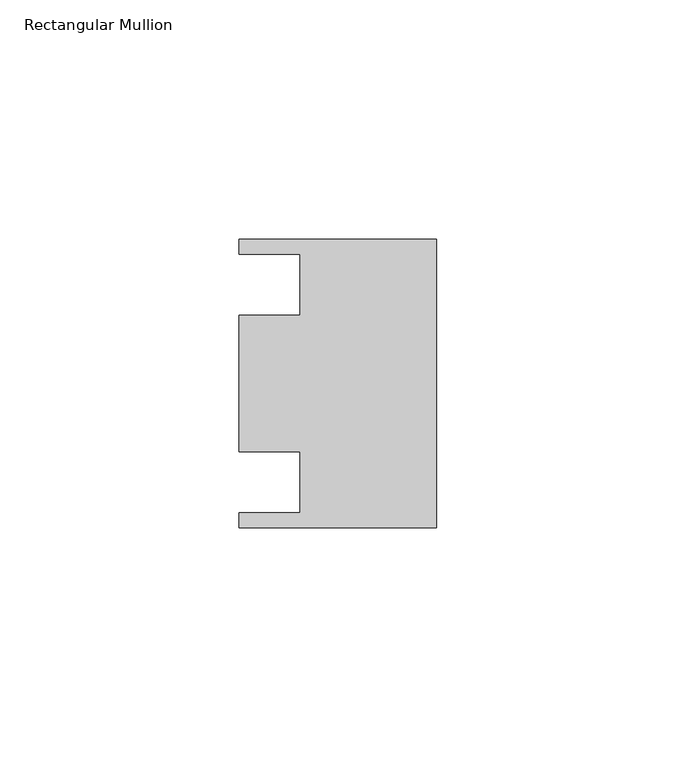
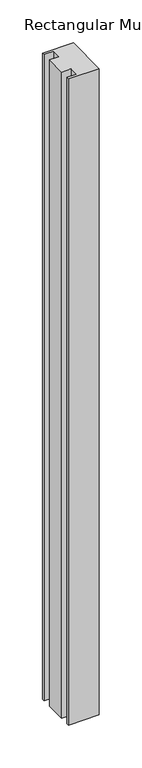
"""IFC4 building model written with IfcOpenShell, lengths in millimetres: member geometry, Rectangular Mullion."""

from ifc_helpers import new_model, si_unit, frame, origin, place, context, project, spatial, polyline, outline, extrude, source, transform, mapped, element, save


def rectangular_mullion_aef7a0a7(model_context):
    return source(origin(), model_context, "Body", "SweptSolid", [
        extrude(outline(polyline([(0.0, 30.1625), (0.0, -30.1625), (-41.275, -30.1625), (-41.275, -26.9875), (-28.575, -26.9875), (-28.575, -14.2875), (-41.275, -14.2875), (-41.275, 14.2875), (-28.575, 14.2875), (-28.575, 26.9875), (-41.275, 26.9875), (-41.275, 30.1625), (0.0, 30.1625)])), frame((0.0, 0.0, -919.1625), z_axis=(0.0, 0.0, 1.0), x_axis=(1.0, 0.0, 0.0)), (0.0, 0.0, 1.0), 919.1625),
    ])


if __name__ == "__main__":
    model = new_model("IFC4")
    model_context = context("Model", 3, world=origin())
    ifc_project = project(units=[si_unit("LENGTHUNIT", "METRE", prefix="MILLI")], contexts=[model_context])
    site = spatial("IfcSite", under=ifc_project)
    building = spatial("IfcBuilding", under=site)
    placement = place(None, origin())
    rectangular_mullion_shape = rectangular_mullion_aef7a0a7(model_context)
    element("IfcMember", 1, ObjectType="Rectangular Mullion", at=placement, inside=building, context=model_context, shape_type="MappedRepresentation", body=[
        mapped(rectangular_mullion_shape, transform((0.0, 0.0, 0.0), x_axis=(1.0, 0.0, 0.0), y_axis=(0.0, 1.0, 0.0), z_axis=(0.0, 0.0, 1.0))),
    ])
    save(model, "model.ifc")
